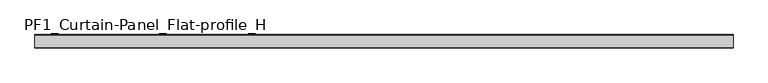
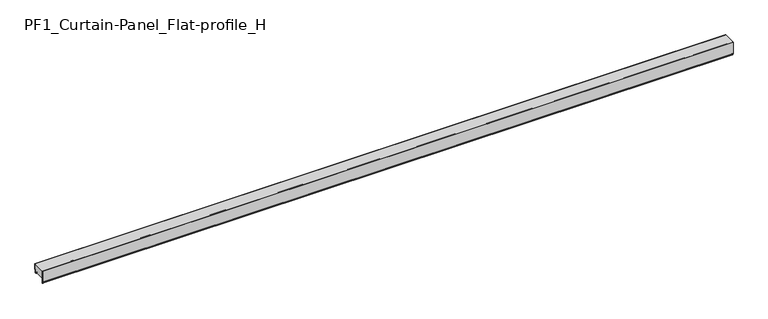
"""IFC4 building model written with IfcOpenShell, lengths in millimetres: plate geometry, PF1_Curtain-Panel_Flat-profile_H."""

from ifc_helpers import new_model, si_unit, point, frame, frame_2d, origin, place, context, project, spatial, polyline, circle_curve, trimmed, segment, composite_curve, outline, extrude, source, transform, mapped, element, save


def pf1_curtain_panel_flat_profile_h_59c5a8fc(model_context):
    return source(origin(), model_context, "Body", "SweptSolid", [
        extrude(outline(composite_curve([segment(polyline([(-15.878557, 0.0), (-20.0, 0.0), (-20.0, 0.8), (-15.878557, 0.8)]), True, "CONTINUOUS"), segment(trimmed(circle_curve(frame_2d((-15.878557, -2.0)), 2.8), [point((-15.878557, 0.8))], [point((-13.1503208, -1.370137))], False, "CARTESIAN"), True, "CONTINUOUS"), segment(polyline([(-13.1503208, -1.370137), (-11.728236, -7.529863)]), True, "CONTINUOUS"), segment(trimmed(circle_curve(frame_2d((-9.0, -6.9)), 2.8), [point((-11.728236, -7.529863))], [point((-6.2, -6.9))], True, "CARTESIAN"), True, "CONTINUOUS"), segment(polyline([(-6.2, -6.9), (-6.2, 8.6)]), True, "CONTINUOUS"), segment(trimmed(circle_curve(frame_2d((-3.4, 8.6)), 2.8), [point((-6.2, 8.6))], [point((-3.4, 11.4))], False, "CARTESIAN"), True, "CONTINUOUS"), segment(polyline([(-3.4, 11.4), (-2.0, 11.4)]), True, "CONTINUOUS"), segment(trimmed(circle_curve(frame_2d((-2.0, 12.6)), 1.2), [point((-2.0, 11.4))], [point((-0.8, 12.6))], True, "CARTESIAN"), True, "CONTINUOUS"), segment(polyline([(-0.8, 12.6), (-0.8, 47.0), (0.0, 47.0), (0.0, 12.6)]), True, "CONTINUOUS"), segment(trimmed(circle_curve(frame_2d((-2.0, 12.6)), 2.0), [point((0.0, 12.6))], [point((-2.0, 10.6))], False, "CARTESIAN"), True, "CONTINUOUS"), segment(polyline([(-2.0, 10.6), (-3.4, 10.6)]), True, "CONTINUOUS"), segment(trimmed(circle_curve(frame_2d((-3.4, 8.6)), 2.0), [point((-3.4, 10.6))], [point((-5.4, 8.6))], True, "CARTESIAN"), True, "CONTINUOUS"), segment(polyline([(-5.4, 8.6), (-5.4, -6.9)]), True, "CONTINUOUS"), segment(trimmed(circle_curve(frame_2d((-9.0, -6.9)), 3.6), [point((-5.4, -6.9))], [point((-12.5077322, -7.7098239))], False, "CARTESIAN"), True, "CONTINUOUS"), segment(polyline([(-12.5077322, -7.7098239), (-13.929817, -1.5500979)]), True, "CONTINUOUS"), segment(trimmed(circle_curve(frame_2d((-15.878557, -2.0)), 2.0), [point((-13.929817, -1.5500979))], [point((-15.878557, 0.0))], True, "CARTESIAN"), True, "CONTINUOUS")], self_intersect=False)), frame((-2100.0, 0.0, 0.0), z_axis=(1.0, 0.0, 0.0), x_axis=(0.0, 1.0, 0.0)), (0.0, 0.0, 1.0), 4200.0),
        extrude(outline(composite_curve([segment(polyline([(-70.0, 0.0), (-73.5, 0.0)]), True, "CONTINUOUS"), segment(trimmed(circle_curve(frame_2d((-73.5, -2.0)), 2.0), [point((-73.5, 0.0))], [point((-75.5, -2.0))], True, "CARTESIAN"), True, "CONTINUOUS"), segment(polyline([(-75.5, -2.0), (-75.5, -33.0)]), True, "CONTINUOUS"), segment(trimmed(circle_curve(frame_2d((-76.5, -33.0)), 1.0), [point((-75.5, -33.0))], [point((-77.5, -33.0))], False, "CARTESIAN"), True, "CONTINUOUS"), segment(polyline([(-77.5, -33.0), (-77.5, -26.9)]), True, "CONTINUOUS"), segment(trimmed(circle_curve(frame_2d((-78.4, -26.9)), 0.9), [point((-77.5, -26.9))], [point((-78.4, -26.0))], True, "CARTESIAN"), True, "CONTINUOUS"), segment(trimmed(circle_curve(frame_2d((-78.4, -24.4)), 1.6), [point((-78.4, -26.0))], [point((-80.0, -24.4))], False, "CARTESIAN"), True, "CONTINUOUS"), segment(polyline([(-80.0, -24.4), (-80.0, 47.0), (-79.2, 47.0), (-79.2, -24.4)]), True, "CONTINUOUS"), segment(trimmed(circle_curve(frame_2d((-78.4, -24.4)), 0.8), [point((-79.2, -24.4))], [point((-78.4, -25.2))], True, "CARTESIAN"), True, "CONTINUOUS"), segment(trimmed(circle_curve(frame_2d((-78.6133333, -26.9)), 1.7133333), [point((-78.4, -25.2))], [point((-76.9, -26.9))], False, "CARTESIAN"), True, "CONTINUOUS"), segment(polyline([(-76.9, -26.9), (-76.9, -32.8700312)]), True, "CONTINUOUS"), segment(trimmed(circle_curve(frame_2d((-76.6, -32.8700312)), 0.3), [point((-76.9, -32.8700312))], [point((-76.3, -32.8700312))], True, "CARTESIAN"), True, "CONTINUOUS"), segment(polyline([(-76.3, -32.8700312), (-76.3, -2.0)]), True, "CONTINUOUS"), segment(trimmed(circle_curve(frame_2d((-73.5, -2.0)), 2.8), [point((-76.3, -2.0))], [point((-73.5, 0.8))], False, "CARTESIAN"), True, "CONTINUOUS"), segment(polyline([(-73.5, 0.8), (-70.0, 0.8), (-70.0, 0.0)]), True, "CONTINUOUS")], self_intersect=False)), frame((-2100.0, 0.0, 0.0), z_axis=(1.0, 0.0, 0.0), x_axis=(0.0, 1.0, 0.0)), (0.0, 0.0, 1.0), 4200.0),
        extrude(outline(composite_curve([segment(polyline([(-70.0, 0.8), (-73.5, 0.8)]), True, "CONTINUOUS"), segment(trimmed(circle_curve(frame_2d((-73.5, -2.0)), 2.8), [point((-73.5, 0.8))], [point((-76.3, -2.0))], True, "CARTESIAN"), True, "CONTINUOUS"), segment(polyline([(-76.3, -2.0), (-76.3, -32.8700312)]), True, "CONTINUOUS"), segment(trimmed(circle_curve(frame_2d((-76.6, -32.8700312)), 0.3), [point((-76.3, -32.8700312))], [point((-76.9, -32.8700312))], False, "CARTESIAN"), True, "CONTINUOUS"), segment(polyline([(-76.9, -32.8700312), (-76.9, -26.9)]), True, "CONTINUOUS"), segment(trimmed(circle_curve(frame_2d((-78.6133333, -26.9)), 1.7133333), [point((-76.9, -26.9))], [point((-78.4, -25.2))], True, "CARTESIAN"), True, "CONTINUOUS"), segment(trimmed(circle_curve(frame_2d((-78.4, -24.4)), 0.8), [point((-78.4, -25.2))], [point((-79.2, -24.4))], False, "CARTESIAN"), True, "CONTINUOUS"), segment(polyline([(-79.2, -24.4), (-79.2, 47.0), (-0.8, 47.0), (-0.8, 12.6)]), True, "CONTINUOUS"), segment(trimmed(circle_curve(frame_2d((-2.0, 12.6)), 1.2), [point((-0.8, 12.6))], [point((-2.0, 11.4))], False, "CARTESIAN"), True, "CONTINUOUS"), segment(polyline([(-2.0, 11.4), (-3.4, 11.4)]), True, "CONTINUOUS"), segment(trimmed(circle_curve(frame_2d((-3.4, 8.6)), 2.8), [point((-3.4, 11.4))], [point((-6.2, 8.6))], True, "CARTESIAN"), True, "CONTINUOUS"), segment(polyline([(-6.2, 8.6), (-6.2, -6.9)]), True, "CONTINUOUS"), segment(trimmed(circle_curve(frame_2d((-9.0, -6.9)), 2.8), [point((-6.2, -6.9))], [point((-11.7282362, -7.529863))], False, "CARTESIAN"), True, "CONTINUOUS"), segment(polyline([(-11.7282362, -7.529863), (-13.1503208, -1.370137)]), True, "CONTINUOUS"), segment(trimmed(circle_curve(frame_2d((-15.878557, -2.0)), 2.8), [point((-13.1503208, -1.370137))], [point((-15.878557, 0.8))], True, "CARTESIAN"), True, "CONTINUOUS"), segment(polyline([(-15.878557, 0.8), (-20.0, 0.8), (-20.0, 0.0), (-70.0, 0.0), (-70.0, 0.8)]), True, "CONTINUOUS")], self_intersect=False)), frame((-2100.0, 0.0, 0.0), z_axis=(1.0, 0.0, 0.0), x_axis=(0.0, 1.0, 0.0)), (0.0, 0.0, 1.0), 4200.0),
    ])


if __name__ == "__main__":
    model = new_model("IFC4")
    model_context = context("Model", 3, world=origin())
    ifc_project = project(units=[si_unit("LENGTHUNIT", "METRE", prefix="MILLI")], contexts=[model_context])
    site = spatial("IfcSite", under=ifc_project)
    building = spatial("IfcBuilding", under=site)
    placement = place(None, origin())
    pf1_curtain_panel_flat_profile_h_shape = pf1_curtain_panel_flat_profile_h_59c5a8fc(model_context)
    element("IfcPlate", 1, ObjectType="PF1_Curtain-Panel_Flat-profile_H", at=placement, inside=building, context=model_context, shape_type="MappedRepresentation", body=[
        mapped(pf1_curtain_panel_flat_profile_h_shape, transform((0.0, 0.0, 0.0), x_axis=(1.0, 0.0, 0.0), y_axis=(0.0, 1.0, 0.0), z_axis=(0.0, 0.0, 1.0))),
    ])
    save(model, "model.ifc")
